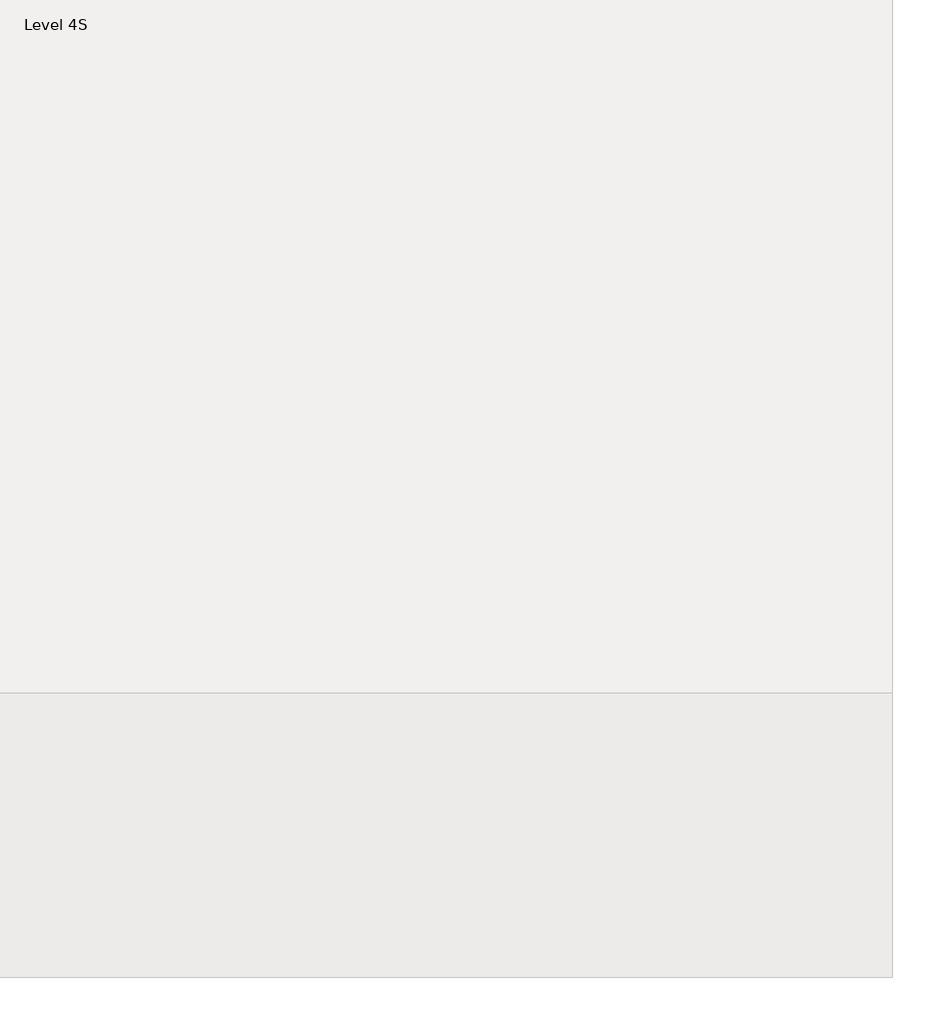
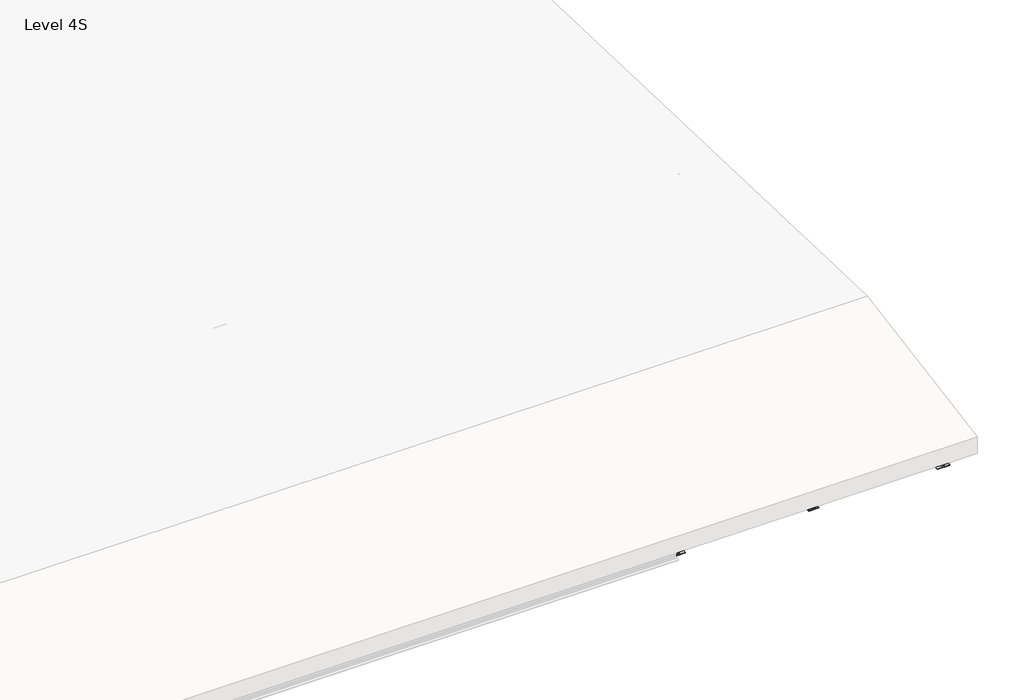
# One storey, part 14 of 15: 6 beams.
"""IFC4 building model written with IfcOpenShell, lengths in millimetres."""

from ifc_helpers import new_model, si_unit, frame, origin, place, context, project, spatial, polyline, circle_curve, ellipse_curve, element, save
from ifc_brep_helpers import plane_surface, revolved_surface, advanced_brep

model = new_model("IFC4")

# Units and contexts
model_context = context("Model", 3, world=origin())
ifc_project = project(units=[si_unit("LENGTHUNIT", "METRE", prefix="MILLI")], contexts=[model_context])

# Site, building, storey
site = spatial("IfcSite", under=ifc_project)
building = spatial("IfcBuilding", under=site)
storey = spatial("IfcBuildingStorey", under=building, Name="Level 4S", Elevation=15900.0)

# Beams
placement = place(None, origin())
element("IfcBeam", 1, ObjectType="IPE-Section : IPE 240", at=placement, inside=storey, context=model_context, shape_type="AdvancedBrep", body=[
    advanced_brep(
    [(19043.6750814, -23184.2178605, 14451.6834347), (19001.7750814, -23184.2178605, 14451.6834347), (18986.7750814, -23186.8089452, 14466.4579493), (18986.7750814, -23219.6984465, 14653.9957873), (19001.7750814, -23222.2895312, 14668.7703019), (19043.6750814, -23222.2895312, 14668.7703019), (19043.6750814, -23223.9823731, 14678.4229847), (18923.6750814, -23223.9823731, 14678.4229847), (18923.6750814, -23222.2895312, 14668.7703019), (18965.5750814, -23222.2895312, 14668.7703019), (18980.5750814, -23219.6984465, 14653.9957873), (18980.5750814, -23186.8089452, 14466.4579493), (18965.5750814, -23184.2178605, 14451.6834347), (18923.6750814, -23184.2178605, 14451.6834347), (18923.6750814, -23182.5250185, 14442.0307519), (19043.6750814, -23182.5250185, 14442.0307519), (19001.7750814, -21092.1754011, 14818.5759721), (19043.6750814, -21092.1754011, 14818.5759721), (18986.7750814, -21093.2402347, 14833.6181534), (18986.7750814, -21106.7565219, 15024.5535743), (19001.7750814, -21107.8213555, 15039.5957556), (19043.6750814, -21107.8213555, 15039.5957556), (19043.6750814, -21108.5170467, 15049.423314), (18923.6750814, -21108.5170467, 15049.423314), (18923.6750814, -21107.8213555, 15039.5957556), (18965.5750814, -21107.8213555, 15039.5957556), (18980.5750814, -21106.7565219, 15024.5535743), (18980.5750814, -21093.2402347, 14833.6181534), (18965.5750814, -21092.1754011, 14818.5759721), (18923.6750814, -21092.1754011, 14818.5759721), (18923.6750814, -21091.4797099, 14808.7484137), (19043.6750814, -21091.4797099, 14808.7484137)],
    [
        (0, 1),
        (1, 2, circle_curve(frame((19001.7750814, -23186.8089452, 14466.4579493), z_axis=(0.0, 0.9849676368369048, 0.17273897760471782), x_axis=(-1.0, 0.0, 0.0)), 15.0)),
        (2, 3),
        (3, 4, circle_curve(frame((19001.7750814, -23219.6984465, 14653.9957873), z_axis=(0.0, 0.9849676368369048, 0.17273897760471782), x_axis=(-1.0, 0.0, 0.0)), 15.0)),
        (4, 5),
        (5, 6),
        (6, 7),
        (7, 8),
        (8, 9),
        (9, 10, circle_curve(frame((18965.5750814, -23219.6984465, 14653.9957873), z_axis=(0.0, 0.9849676368369048, 0.17273897760471782), x_axis=(-1.0, 0.0, 0.0)), 15.0)),
        (10, 11),
        (11, 12, circle_curve(frame((18965.5750814, -23186.8089452, 14466.4579493), z_axis=(0.0, 0.9849676368369048, 0.17273897760471782), x_axis=(-1.0, 0.0, 0.0)), 15.0)),
        (12, 13),
        (13, 14),
        (14, 15),
        (15, 0),
        (16, 1),
        (0, 17),
        (17, 16),
        (18, 2),
        (16, 18, ellipse_curve(frame((19001.7750814, -21093.2402347, 14833.6181534), z_axis=(0.0, 0.9975037774235432, 0.07061312927326088), x_axis=(0.0, 0.07061312927326037, -0.9975037774235433)), 15.0798239, 15.0)),
        (19, 3),
        (18, 19),
        (20, 4),
        (19, 20, ellipse_curve(frame((19001.7750814, -21106.7565219, 15024.5535743), z_axis=(0.0, 0.9975037774235432, 0.07061312927326088), x_axis=(0.0, 0.07061312927326037, -0.9975037774235433)), 15.0798239, 15.0)),
        (21, 5),
        (20, 21),
        (22, 6),
        (21, 22),
        (23, 7),
        (22, 23),
        (24, 8),
        (23, 24),
        (25, 9),
        (24, 25),
        (26, 10),
        (25, 26, ellipse_curve(frame((18965.5750814, -21106.7565219, 15024.5535743), z_axis=(0.0, 0.9975037774235432, 0.07061312927326088), x_axis=(0.0, 0.07061312927326037, -0.9975037774235433)), 15.0798239, 15.0)),
        (27, 11),
        (26, 27),
        (28, 12),
        (27, 28, ellipse_curve(frame((18965.5750814, -21093.2402347, 14833.6181534), z_axis=(0.0, 0.9975037774235432, 0.07061312927326088), x_axis=(0.0, 0.07061312927326037, -0.9975037774235433)), 15.0798239, 15.0)),
        (29, 13),
        (28, 29),
        (30, 14),
        (29, 30),
        (31, 15),
        (30, 31),
        (31, 17),
    ],
    [
        plane_surface(frame((18983.6750814, -23203.2536958, 14560.2268683), z_axis=(0.0, -0.9849676368369048, -0.17273897760471782), x_axis=(0.0, -0.17273897760471782, 0.9849676368369048))),
        plane_surface(frame((19043.6750814, -21068.7525341, 14822.683764), z_axis=(0.0, -0.17273897760471782, 0.9849676368369048), x_axis=(0.0, -0.9849676368369048, -0.17273897760471782))),
        revolved_surface(polyline([(18986.7750814, -23186.808945192828, 14466.457949259118), (18986.7750814, -21091.71398358211, 14833.885820103322)]), (19001.7750814, -21071.3436187, 14837.4582786), (0.0, -0.9849676368369048, -0.17273897760471782)),
        plane_surface(frame((18986.7750814, -21071.3436187, 14837.4582786), z_axis=(1.0, 0.0, 0.0), x_axis=(0.0, -0.9849676368369048, -0.17273897760471782))),
        revolved_surface(polyline([(18986.7750814, -23219.698446539613, 14653.99578736845), (18986.7750814, -21105.230270801516, 15024.821241113985)]), (19001.7750814, -21104.2331201, 15024.9961167), (0.0, -0.9849676368369048, -0.17273897760471782)),
        plane_surface(frame((19001.7750814, -21106.8242047, 15039.7706312), z_axis=(0.0, 0.17273897760471782, -0.9849676368369048), x_axis=(0.0, -0.9849676368369048, -0.17273897760471782))),
        plane_surface(frame((19043.6750814, -21106.8242047, 15039.7706312), z_axis=(1.0, 0.0, 0.0), x_axis=(0.0, -0.9849676368369048, -0.17273897760471782))),
        plane_surface(frame((19043.6750814, -21108.5170467, 15049.423314), z_axis=(0.0, -0.17273897760471782, 0.9849676368369048), x_axis=(0.0, -0.9849676368369048, -0.17273897760471782))),
        plane_surface(frame((18923.6750814, -21108.5170467, 15049.423314), z_axis=(-1.0, 0.0, 0.0), x_axis=(0.0, -0.9849676368369048, -0.17273897760471782))),
        plane_surface(frame((18923.6750814, -21106.8242047, 15039.7706312), z_axis=(0.0, 0.17273897760471782, -0.9849676368369048), x_axis=(0.0, -0.9849676368369048, -0.17273897760471782))),
        revolved_surface(polyline([(18950.5750814, -23219.698446539613, 14653.99578736845), (18950.5750814, -21105.230270801516, 15024.821241113985)]), (18965.5750814, -21104.2331201, 15024.9961167), (0.0, -0.9849676368369048, -0.17273897760471782)),
        plane_surface(frame((18980.5750814, -21104.2331201, 15024.9961167), z_axis=(-1.0, 0.0, 0.0), x_axis=(0.0, -0.9849676368369048, -0.17273897760471782))),
        revolved_surface(polyline([(18950.5750814, -23186.808945192828, 14466.457949259118), (18950.5750814, -21091.71398358211, 14833.885820103322)]), (18965.5750814, -21071.3436187, 14837.4582786), (0.0, -0.9849676368369048, -0.17273897760471782)),
        plane_surface(frame((18965.5750814, -21068.7525341, 14822.683764), z_axis=(0.0, -0.17273897760471782, 0.9849676368369048), x_axis=(0.0, -0.9849676368369048, -0.17273897760471782))),
        plane_surface(frame((18923.6750814, -21068.7525341, 14822.683764), z_axis=(-1.0, 0.0, 0.0), x_axis=(0.0, -0.9849676368369048, -0.17273897760471782))),
        plane_surface(frame((18923.6750814, -21067.0596921, 14813.0310812), z_axis=(0.0, 0.17273897760471782, -0.9849676368369048), x_axis=(0.0, -0.9849676368369048, -0.17273897760471782))),
        plane_surface(frame((19043.6750814, -21067.0596921, 14813.0310812), z_axis=(1.0, 0.0, 0.0), x_axis=(0.0, -0.9849676368369048, -0.17273897760471782))),
        plane_surface(frame((18983.6750814, -21108.5170467, 15049.423314), z_axis=(0.0, 0.9975037774235432, 0.07061312927326088), x_axis=(1.0, 0.0, 0.0))),
    ],
    [
        (0, [[1, 2, 3, 4, 5, 6, 7, 8, 9, 10, 11, 12, 13, 14, 15, 16]]),
        (1, [[17, -1, 18, 19]]),
        (2, [[20, -2, -17, 21]]),
        (3, [[22, -3, -20, 23]]),
        (4, [[24, -4, -22, 25]]),
        (5, [[26, -5, -24, 27]]),
        (6, [[28, -6, -26, 29]]),
        (7, [[30, -7, -28, 31]]),
        (8, [[32, -8, -30, 33]]),
        (9, [[34, -9, -32, 35]]),
        (10, [[36, -10, -34, 37]]),
        (11, [[38, -11, -36, 39]]),
        (12, [[40, -12, -38, 41]]),
        (13, [[42, -13, -40, 43]]),
        (14, [[44, -14, -42, 45]]),
        (15, [[46, -15, -44, 47]]),
        (16, [[-18, -16, -46, 48]]),
        (17, [[-48, -47, -45, -43, -41, -39, -37, -35, -33, -31, -29, -27, -25, -23, -21, -19]]),
    ],
),
])
element("IfcBeam", 2, ObjectType="IPE-Section : IPE 240", at=placement, inside=storey, context=model_context, shape_type="AdvancedBrep", body=[
    advanced_brep(
    [(16138.6750814, -23184.2185102, 14451.6833208), (16096.7750814, -23184.2185102, 14451.6833208), (16081.7750814, -23186.8095949, 14466.4578353), (16081.7750814, -23219.6990962, 14653.9956734), (16096.7750814, -23222.2901809, 14668.7701879), (16138.6750814, -23222.2901809, 14668.7701879), (16138.6750814, -23223.9830229, 14678.4228708), (16018.6750814, -23223.9830229, 14678.4228708), (16018.6750814, -23222.2901809, 14668.7701879), (16060.5750814, -23222.2901809, 14668.7701879), (16075.5750814, -23219.6990962, 14653.9956734), (16075.5750814, -23186.8095949, 14466.4578353), (16060.5750814, -23184.2185102, 14451.6833208), (16018.6750814, -23184.2185102, 14451.6833208), (16018.6750814, -23182.5256682, 14442.0306379), (16138.6750814, -23182.5256682, 14442.0306379), (16096.7750814, -21092.1754011, 14818.5759721), (16138.6750814, -21092.1754011, 14818.5759721), (16081.7750814, -21093.2402347, 14833.6181534), (16081.7750814, -21106.7565219, 15024.5535743), (16096.7750814, -21107.8213555, 15039.5957556), (16138.6750814, -21107.8213555, 15039.5957556), (16138.6750814, -21108.5170467, 15049.423314), (16018.6750814, -21108.5170467, 15049.423314), (16018.6750814, -21107.8213555, 15039.5957556), (16060.5750814, -21107.8213555, 15039.5957556), (16075.5750814, -21106.7565219, 15024.5535743), (16075.5750814, -21093.2402347, 14833.6181534), (16060.5750814, -21092.1754011, 14818.5759721), (16018.6750814, -21092.1754011, 14818.5759721), (16018.6750814, -21091.4797099, 14808.7484137), (16138.6750814, -21091.4797099, 14808.7484137)],
    [
        (0, 1),
        (1, 2, circle_curve(frame((16096.7750814, -23186.8095949, 14466.4578353), z_axis=(0.0, 0.9849676368369048, 0.17273897760471782), x_axis=(-1.0, 0.0, 0.0)), 15.0)),
        (2, 3),
        (3, 4, circle_curve(frame((16096.7750814, -23219.6990962, 14653.9956734), z_axis=(0.0, 0.9849676368369048, 0.17273897760471782), x_axis=(-1.0, 0.0, 0.0)), 15.0)),
        (4, 5),
        (5, 6),
        (6, 7),
        (7, 8),
        (8, 9),
        (9, 10, circle_curve(frame((16060.5750814, -23219.6990962, 14653.9956734), z_axis=(0.0, 0.9849676368369048, 0.17273897760471782), x_axis=(-1.0, 0.0, 0.0)), 15.0)),
        (10, 11),
        (11, 12, circle_curve(frame((16060.5750814, -23186.8095949, 14466.4578353), z_axis=(0.0, 0.9849676368369048, 0.17273897760471782), x_axis=(-1.0, 0.0, 0.0)), 15.0)),
        (12, 13),
        (13, 14),
        (14, 15),
        (15, 0),
        (16, 1),
        (0, 17),
        (17, 16),
        (18, 2),
        (16, 18, ellipse_curve(frame((16096.7750814, -21093.2402347, 14833.6181534), z_axis=(0.0, 0.9975037774235432, 0.07061312927326088), x_axis=(0.0, 0.07061312927326037, -0.9975037774235433)), 15.0798239, 15.0)),
        (19, 3),
        (18, 19),
        (20, 4),
        (19, 20, ellipse_curve(frame((16096.7750814, -21106.7565219, 15024.5535743), z_axis=(0.0, 0.9975037774235432, 0.07061312927326088), x_axis=(0.0, 0.07061312927326037, -0.9975037774235433)), 15.0798239, 15.0)),
        (21, 5),
        (20, 21),
        (22, 6),
        (21, 22),
        (23, 7),
        (22, 23),
        (24, 8),
        (23, 24),
        (25, 9),
        (24, 25),
        (26, 10),
        (25, 26, ellipse_curve(frame((16060.5750814, -21106.7565219, 15024.5535743), z_axis=(0.0, 0.9975037774235432, 0.07061312927326088), x_axis=(0.0, 0.07061312927326037, -0.9975037774235433)), 15.0798239, 15.0)),
        (27, 11),
        (26, 27),
        (28, 12),
        (27, 28, ellipse_curve(frame((16060.5750814, -21093.2402347, 14833.6181534), z_axis=(0.0, 0.9975037774235432, 0.07061312927326088), x_axis=(0.0, 0.07061312927326037, -0.9975037774235433)), 15.0798239, 15.0)),
        (29, 13),
        (28, 29),
        (30, 14),
        (29, 30),
        (31, 15),
        (30, 31),
        (31, 17),
    ],
    [
        plane_surface(frame((16078.6750814, -23203.2543455, 14560.2267544), z_axis=(0.0, -0.9849676368369048, -0.17273897760471782), x_axis=(0.0, -0.17273897760471782, 0.9849676368369048))),
        plane_surface(frame((16138.6750814, -21068.7525341, 14822.683764), z_axis=(0.0, -0.17273897760471782, 0.9849676368369048), x_axis=(0.0, -0.9849676368369048, -0.17273897760471782))),
        revolved_surface(polyline([(16081.7750814, -23186.809594902814, 14466.457835316045), (16081.7750814, -21091.71398358211, 14833.885820103322)]), (16096.7750814, -21071.3436187, 14837.4582786), (0.0, -0.9849676368369048, -0.17273897760471782)),
        plane_surface(frame((16081.7750814, -21071.3436187, 14837.4582786), z_axis=(1.0, 0.0, 0.0), x_axis=(0.0, -0.9849676368369048, -0.17273897760471782))),
        revolved_surface(polyline([(16081.7750814, -23219.6990962496, 14653.99567342538), (16081.7750814, -21105.230270801516, 15024.821241113985)]), (16096.7750814, -21104.2331201, 15024.9961167), (0.0, -0.9849676368369048, -0.17273897760471782)),
        plane_surface(frame((16096.7750814, -21106.8242047, 15039.7706312), z_axis=(0.0, 0.17273897760471782, -0.9849676368369048), x_axis=(0.0, -0.9849676368369048, -0.17273897760471782))),
        plane_surface(frame((16138.6750814, -21106.8242047, 15039.7706312), z_axis=(1.0, 0.0, 0.0), x_axis=(0.0, -0.9849676368369048, -0.17273897760471782))),
        plane_surface(frame((16138.6750814, -21108.5170467, 15049.423314), z_axis=(0.0, -0.17273897760471782, 0.9849676368369048), x_axis=(0.0, -0.9849676368369048, -0.17273897760471782))),
        plane_surface(frame((16018.6750814, -21108.5170467, 15049.423314), z_axis=(-1.0, 0.0, 0.0), x_axis=(0.0, -0.9849676368369048, -0.17273897760471782))),
        plane_surface(frame((16018.6750814, -21106.8242047, 15039.7706312), z_axis=(0.0, 0.17273897760471782, -0.9849676368369048), x_axis=(0.0, -0.9849676368369048, -0.17273897760471782))),
        revolved_surface(polyline([(16045.5750814, -23219.6990962496, 14653.99567342538), (16045.5750814, -21105.230270801516, 15024.821241113985)]), (16060.5750814, -21104.2331201, 15024.9961167), (0.0, -0.9849676368369048, -0.17273897760471782)),
        plane_surface(frame((16075.5750814, -21104.2331201, 15024.9961167), z_axis=(-1.0, 0.0, 0.0), x_axis=(0.0, -0.9849676368369048, -0.17273897760471782))),
        revolved_surface(polyline([(16045.5750814, -23186.809594902814, 14466.457835316045), (16045.5750814, -21091.71398358211, 14833.885820103322)]), (16060.5750814, -21071.3436187, 14837.4582786), (0.0, -0.9849676368369048, -0.17273897760471782)),
        plane_surface(frame((16060.5750814, -21068.7525341, 14822.683764), z_axis=(0.0, -0.17273897760471782, 0.9849676368369048), x_axis=(0.0, -0.9849676368369048, -0.17273897760471782))),
        plane_surface(frame((16018.6750814, -21068.7525341, 14822.683764), z_axis=(-1.0, 0.0, 0.0), x_axis=(0.0, -0.9849676368369048, -0.17273897760471782))),
        plane_surface(frame((16018.6750814, -21067.0596921, 14813.0310812), z_axis=(0.0, 0.17273897760471782, -0.9849676368369048), x_axis=(0.0, -0.9849676368369048, -0.17273897760471782))),
        plane_surface(frame((16138.6750814, -21067.0596921, 14813.0310812), z_axis=(1.0, 0.0, 0.0), x_axis=(0.0, -0.9849676368369048, -0.17273897760471782))),
        plane_surface(frame((16078.6750814, -21108.5170467, 15049.423314), z_axis=(0.0, 0.9975037774235432, 0.07061312927326088), x_axis=(1.0, 0.0, 0.0))),
    ],
    [
        (0, [[1, 2, 3, 4, 5, 6, 7, 8, 9, 10, 11, 12, 13, 14, 15, 16]]),
        (1, [[17, -1, 18, 19]]),
        (2, [[20, -2, -17, 21]]),
        (3, [[22, -3, -20, 23]]),
        (4, [[24, -4, -22, 25]]),
        (5, [[26, -5, -24, 27]]),
        (6, [[28, -6, -26, 29]]),
        (7, [[30, -7, -28, 31]]),
        (8, [[32, -8, -30, 33]]),
        (9, [[34, -9, -32, 35]]),
        (10, [[36, -10, -34, 37]]),
        (11, [[38, -11, -36, 39]]),
        (12, [[40, -12, -38, 41]]),
        (13, [[42, -13, -40, 43]]),
        (14, [[44, -14, -42, 45]]),
        (15, [[46, -15, -44, 47]]),
        (16, [[-18, -16, -46, 48]]),
        (17, [[-48, -47, -45, -43, -41, -39, -37, -35, -33, -31, -29, -27, -25, -23, -21, -19]]),
    ],
),
])
element("IfcBeam", 3, ObjectType="IPE-Section : IPE 240", at=placement, inside=storey, context=model_context, shape_type="AdvancedBrep", body=[
    advanced_brep(
    [(16138.6750814, -17939.7743579, 14716.8256418), (16138.6750814, -17940.0905087, 14707.0307427), (16018.6750814, -17940.0905087, 14707.0307427), (16018.6750814, -17939.7743579, 14716.8256418), (16060.5750814, -17939.7743579, 14716.8256418), (16075.5750814, -17939.2904535, 14731.8178343), (16075.5750814, -17933.1480945, 14922.1187314), (16060.5750814, -17932.6641901, 14937.1109239), (16018.6750814, -17932.6641901, 14937.1109239), (16018.6750814, -17932.3480393, 14946.905823), (16138.6750814, -17932.3480393, 14946.905823), (16138.6750814, -17932.6641901, 14937.1109239), (16096.7750814, -17932.6641901, 14937.1109239), (16081.7750814, -17933.1480945, 14922.1187314), (16081.7750814, -17939.2904535, 14731.8178343), (16096.7750814, -17939.7743579, 14716.8256418), (16096.7750814, -21092.1754011, 14818.5759721), (16138.6750814, -21092.1754011, 14818.5759721), (16081.7750814, -21093.2402347, 14833.6181534), (16081.7750814, -21106.7565219, 15024.5535743), (16096.7750814, -21107.8213555, 15039.5957556), (16138.6750814, -21107.8213555, 15039.5957556), (16138.6750814, -21108.5170467, 15049.423314), (16018.6750814, -21108.5170467, 15049.423314), (16018.6750814, -21107.8213555, 15039.5957556), (16060.5750814, -21107.8213555, 15039.5957556), (16075.5750814, -21106.7565219, 15024.5535743), (16075.5750814, -21093.2402347, 14833.6181534), (16060.5750814, -21092.1754011, 14818.5759721), (16018.6750814, -21092.1754011, 14818.5759721), (16018.6750814, -21091.4797099, 14808.7484137), (16138.6750814, -21091.4797099, 14808.7484137)],
    [
        (0, 1),
        (1, 2),
        (2, 3),
        (3, 4),
        (4, 5, circle_curve(frame((16060.5750814, -17939.2904535, 14731.8178343), z_axis=(0.0, -0.9994795014102584, 0.032260289222220004), x_axis=(-1.0, 0.0, 0.0)), 15.0)),
        (5, 6),
        (6, 7, circle_curve(frame((16060.5750814, -17933.1480945, 14922.1187314), z_axis=(0.0, -0.9994795014102584, 0.032260289222220004), x_axis=(-1.0, 0.0, 0.0)), 15.0)),
        (7, 8),
        (8, 9),
        (9, 10),
        (10, 11),
        (11, 12),
        (12, 13, circle_curve(frame((16096.7750814, -17933.1480945, 14922.1187314), z_axis=(0.0, -0.9994795014102584, 0.032260289222220004), x_axis=(-1.0, 0.0, 0.0)), 15.0)),
        (13, 14),
        (14, 15, circle_curve(frame((16096.7750814, -17939.2904535, 14731.8178343), z_axis=(0.0, -0.9994795014102584, 0.032260289222220004), x_axis=(-1.0, 0.0, 0.0)), 15.0)),
        (15, 0),
        (15, 16),
        (16, 17),
        (17, 0),
        (14, 18),
        (18, 16, ellipse_curve(frame((16096.7750814, -21093.2402347, 14833.6181534), z_axis=(0.0, -0.997503777423542, -0.07061312927327876), x_axis=(0.0, -0.07061312927327813, 0.997503777423542)), 15.0798239, 15.0)),
        (13, 19),
        (19, 18),
        (12, 20),
        (20, 19, ellipse_curve(frame((16096.7750814, -21106.7565219, 15024.5535743), z_axis=(0.0, -0.997503777423542, -0.07061312927327876), x_axis=(0.0, -0.07061312927327813, 0.997503777423542)), 15.0798239, 15.0)),
        (11, 21),
        (21, 20),
        (10, 22),
        (22, 21),
        (9, 23),
        (23, 22),
        (8, 24),
        (24, 23),
        (7, 25),
        (25, 24),
        (6, 26),
        (26, 25, ellipse_curve(frame((16060.5750814, -21106.7565219, 15024.5535743), z_axis=(0.0, -0.997503777423542, -0.07061312927327876), x_axis=(0.0, -0.07061312927327813, 0.997503777423542)), 15.0798239, 15.0)),
        (5, 27),
        (27, 26),
        (4, 28),
        (28, 27, ellipse_curve(frame((16060.5750814, -21093.2402347, 14833.6181534), z_axis=(0.0, -0.997503777423542, -0.07061312927327876), x_axis=(0.0, -0.07061312927327813, 0.997503777423542)), 15.0798239, 15.0)),
        (3, 29),
        (29, 28),
        (2, 30),
        (30, 29),
        (1, 31),
        (31, 30),
        (17, 31),
    ],
    [
        plane_surface(frame((16078.6750814, -17936.219274, 14826.9682829), z_axis=(0.0, 0.9994795014102584, -0.032260289222220004), x_axis=(0.0, 0.032260289222220004, 0.9994795014102584))),
        plane_surface(frame((16138.6750814, -17939.7743579, 14716.8256418), z_axis=(0.0, 0.032260289222220004, 0.9994795014102584), x_axis=(0.0, -0.9994795014102584, 0.032260289222220004))),
        revolved_surface(polyline([(16081.7750814, -21094.788972595194, 14833.668142107876), (16081.7750814, -17939.2904535, 14731.8178343)]), (16096.7750814, -17939.2904535, 14731.8178343), (0.0, -0.9994795014102584, 0.032260289222220004)),
        plane_surface(frame((16081.7750814, -17939.2904535, 14731.8178343), z_axis=(1.0, 0.0, 0.0), x_axis=(0.0, -0.9994795014102584, 0.032260289222220004))),
        revolved_surface(polyline([(16081.7750814, -21108.30525983797, 15024.603563090172), (16081.7750814, -17933.148094437714, 14922.11873139799)]), (16096.7750814, -17933.1480945, 14922.1187314), (0.0, -0.9994795014102584, 0.032260289222220004)),
        plane_surface(frame((16096.7750814, -17932.6641901, 14937.1109239), z_axis=(0.0, -0.032260289222220004, -0.9994795014102584), x_axis=(0.0, -0.9994795014102584, 0.032260289222220004))),
        plane_surface(frame((16138.6750814, -17932.6641901, 14937.1109239), z_axis=(1.0, 0.0, 0.0), x_axis=(0.0, -0.9994795014102584, 0.032260289222220004))),
        plane_surface(frame((16138.6750814, -17932.3480393, 14946.905823), z_axis=(0.0, 0.032260289222220004, 0.9994795014102584), x_axis=(0.0, -0.9994795014102584, 0.032260289222220004))),
        plane_surface(frame((16018.6750814, -17932.3480393, 14946.905823), z_axis=(-1.0, 0.0, 0.0), x_axis=(0.0, -0.9994795014102584, 0.032260289222220004))),
        plane_surface(frame((16018.6750814, -17932.6641901, 14937.1109239), z_axis=(0.0, -0.032260289222220004, -0.9994795014102584), x_axis=(0.0, -0.9994795014102584, 0.032260289222220004))),
        revolved_surface(polyline([(16045.5750814, -21108.30525983797, 15024.603563090172), (16045.5750814, -17933.148094437714, 14922.11873139799)]), (16060.5750814, -17933.1480945, 14922.1187314), (0.0, -0.9994795014102584, 0.032260289222220004)),
        plane_surface(frame((16075.5750814, -17933.1480945, 14922.1187314), z_axis=(-1.0, 0.0, 0.0), x_axis=(0.0, -0.9994795014102584, 0.032260289222220004))),
        revolved_surface(polyline([(16045.5750814, -21094.788972595194, 14833.668142107876), (16045.5750814, -17939.2904535, 14731.8178343)]), (16060.5750814, -17939.2904535, 14731.8178343), (0.0, -0.9994795014102584, 0.032260289222220004)),
        plane_surface(frame((16060.5750814, -17939.7743579, 14716.8256418), z_axis=(0.0, 0.032260289222220004, 0.9994795014102584), x_axis=(0.0, -0.9994795014102584, 0.032260289222220004))),
        plane_surface(frame((16018.6750814, -17939.7743579, 14716.8256418), z_axis=(-1.0, 0.0, 0.0), x_axis=(0.0, -0.9994795014102584, 0.032260289222220004))),
        plane_surface(frame((16018.6750814, -17940.0905087, 14707.0307427), z_axis=(0.0, -0.032260289222220004, -0.9994795014102584), x_axis=(0.0, -0.9994795014102584, 0.032260289222220004))),
        plane_surface(frame((16138.6750814, -17940.0905087, 14707.0307427), z_axis=(1.0, 0.0, 0.0), x_axis=(0.0, -0.9994795014102584, 0.032260289222220004))),
        plane_surface(frame((16078.6750814, -21108.5170467, 15049.423314), z_axis=(0.0, -0.997503777423542, -0.07061312927327876), x_axis=(1.0, 0.0, 0.0))),
    ],
    [
        (0, [[1, 2, 3, 4, 5, 6, 7, 8, 9, 10, 11, 12, 13, 14, 15, 16]]),
        (1, [[17, 18, 19, -16]]),
        (2, [[20, 21, -17, -15]]),
        (3, [[22, 23, -20, -14]]),
        (4, [[24, 25, -22, -13]]),
        (5, [[26, 27, -24, -12]]),
        (6, [[28, 29, -26, -11]]),
        (7, [[30, 31, -28, -10]]),
        (8, [[32, 33, -30, -9]]),
        (9, [[34, 35, -32, -8]]),
        (10, [[36, 37, -34, -7]]),
        (11, [[38, 39, -36, -6]]),
        (12, [[40, 41, -38, -5]]),
        (13, [[42, 43, -40, -4]]),
        (14, [[44, 45, -42, -3]]),
        (15, [[46, 47, -44, -2]]),
        (16, [[-19, 48, -46, -1]]),
        (17, [[-18, -21, -23, -25, -27, -29, -31, -33, -35, -37, -39, -41, -43, -45, -47, -48]]),
    ],
),
])
element("IfcBeam", 4, ObjectType="IPE-Section : IPE 300", at=placement, inside=storey, context=model_context, shape_type="AdvancedBrep", body=[
    advanced_brep(
    [(20637.4250814, -23134.1189736, 14400.4675697), (20580.9750814, -23134.1189736, 14400.4675697), (20565.9750814, -23136.7100583, 14415.2420843), (20565.9750814, -23179.6529681, 14660.1050388), (20580.9750814, -23182.2440528, 14674.8795534), (20637.4250814, -23182.2440528, 14674.8795534), (20637.4250814, -23184.0923598, 14685.4187071), (20487.4250814, -23184.0923598, 14685.4187071), (20487.4250814, -23182.2440528, 14674.8795534), (20543.8750814, -23182.2440528, 14674.8795534), (20558.8750814, -23179.6529681, 14660.1050388), (20558.8750814, -23136.7100583, 14415.2420843), (20543.8750814, -23134.1189736, 14400.4675697), (20487.4250814, -23134.1189736, 14400.4675697), (20487.4250814, -23132.2706666, 14389.928416), (20637.4250814, -23132.2706666, 14389.928416), (20580.9750814, -21087.9799569, 14759.3097779), (20637.4250814, -21087.9799569, 14759.3097779), (20565.9750814, -21089.0447905, 14774.3519592), (20565.9750814, -21106.6926319, 15023.6510435), (20580.9750814, -21107.7574654, 15038.6932247), (20637.4250814, -21107.7574654, 15038.6932247), (20637.4250814, -21108.5170467, 15049.423314), (20487.4250814, -21108.5170467, 15049.423314), (20487.4250814, -21107.7574654, 15038.6932247), (20543.8750814, -21107.7574654, 15038.6932247), (20558.8750814, -21106.6926319, 15023.6510435), (20558.8750814, -21089.0447905, 14774.3519592), (20543.8750814, -21087.9799569, 14759.3097779), (20487.4250814, -21087.9799569, 14759.3097779), (20487.4250814, -21087.2203757, 14748.5796886), (20637.4250814, -21087.2203757, 14748.5796886)],
    [
        (0, 1),
        (1, 2, circle_curve(frame((20580.9750814, -23136.7100583, 14415.2420843), z_axis=(0.0, 0.9849676368369048, 0.17273897760471782), x_axis=(-1.0, 0.0, 0.0)), 15.0)),
        (2, 3),
        (3, 4, circle_curve(frame((20580.9750814, -23179.6529681, 14660.1050388), z_axis=(0.0, 0.9849676368369048, 0.17273897760471782), x_axis=(-1.0, 0.0, 0.0)), 15.0)),
        (4, 5),
        (5, 6),
        (6, 7),
        (7, 8),
        (8, 9),
        (9, 10, circle_curve(frame((20543.8750814, -23179.6529681, 14660.1050388), z_axis=(0.0, 0.9849676368369048, 0.17273897760471782), x_axis=(-1.0, 0.0, 0.0)), 15.0)),
        (10, 11),
        (11, 12, circle_curve(frame((20543.8750814, -23136.7100583, 14415.2420843), z_axis=(0.0, 0.9849676368369048, 0.17273897760471782), x_axis=(-1.0, 0.0, 0.0)), 15.0)),
        (12, 13),
        (13, 14),
        (14, 15),
        (15, 0),
        (16, 1),
        (0, 17),
        (17, 16),
        (18, 2),
        (16, 18, ellipse_curve(frame((20580.9750814, -21089.0447905, 14774.3519592), z_axis=(0.0, 0.9975037774235432, 0.07061312927326102), x_axis=(0.0, 0.07061312927326045, -0.9975037774235433)), 15.0798239, 15.0)),
        (19, 3),
        (18, 19),
        (20, 4),
        (19, 20, ellipse_curve(frame((20580.9750814, -21106.6926319, 15023.6510435), z_axis=(0.0, 0.9975037774235432, 0.07061312927326102), x_axis=(0.0, 0.07061312927326045, -0.9975037774235433)), 15.0798239, 15.0)),
        (21, 5),
        (20, 21),
        (22, 6),
        (21, 22),
        (23, 7),
        (22, 23),
        (24, 8),
        (23, 24),
        (25, 9),
        (24, 25),
        (26, 10),
        (25, 26, ellipse_curve(frame((20543.8750814, -21106.6926319, 15023.6510435), z_axis=(0.0, 0.9975037774235432, 0.07061312927326102), x_axis=(0.0, 0.07061312927326045, -0.9975037774235433)), 15.0798239, 15.0)),
        (27, 11),
        (26, 27),
        (28, 12),
        (27, 28, ellipse_curve(frame((20543.8750814, -21089.0447905, 14774.3519592), z_axis=(0.0, 0.9975037774235432, 0.07061312927326102), x_axis=(0.0, 0.07061312927326045, -0.9975037774235433)), 15.0798239, 15.0)),
        (29, 13),
        (28, 29),
        (30, 14),
        (29, 30),
        (31, 15),
        (30, 31),
        (31, 17),
    ],
    [
        plane_surface(frame((20562.4250814, -23158.1815132, 14537.6735615), z_axis=(0.0, -0.9849676368369048, -0.17273897760471782), x_axis=(0.0, -0.17273897760471782, 0.9849676368369048))),
        plane_surface(frame((20637.4250814, -21058.5436605, 14764.4721767), z_axis=(0.0, -0.17273897760471782, 0.9849676368369048), x_axis=(0.0, -0.9849676368369048, -0.17273897760471782))),
        revolved_surface(polyline([(20565.9750814, -23136.710058304845, 14415.24208432763), (20565.9750814, -21087.518539388486, 14774.619625939673)]), (20580.9750814, -21061.1347452, 14779.2466913), (0.0, -0.9849676368369048, -0.17273897760471782)),
        plane_surface(frame((20565.9750814, -21061.1347452, 14779.2466913), z_axis=(1.0, 0.0, 0.0), x_axis=(0.0, -0.9849676368369048, -0.17273897760471782))),
        revolved_surface(polyline([(20565.9750814, -23179.65296813163, 14660.10503882293), (20565.9750814, -21105.16638074767, 15023.918710214391)]), (20580.9750814, -21104.077655, 15024.1096458), (0.0, -0.9849676368369048, -0.17273897760471782)),
        plane_surface(frame((20580.9750814, -21106.6687397, 15038.8841603), z_axis=(0.0, 0.17273897760471782, -0.9849676368369048), x_axis=(0.0, -0.9849676368369048, -0.17273897760471782))),
        plane_surface(frame((20637.4250814, -21106.6687397, 15038.8841603), z_axis=(1.0, 0.0, 0.0), x_axis=(0.0, -0.9849676368369048, -0.17273897760471782))),
        plane_surface(frame((20637.4250814, -21108.5170467, 15049.423314), z_axis=(0.0, -0.17273897760471782, 0.9849676368369048), x_axis=(0.0, -0.9849676368369048, -0.17273897760471782))),
        plane_surface(frame((20487.4250814, -21108.5170467, 15049.423314), z_axis=(-1.0, 0.0, 0.0), x_axis=(0.0, -0.9849676368369048, -0.17273897760471782))),
        plane_surface(frame((20487.4250814, -21106.6687397, 15038.8841603), z_axis=(0.0, 0.17273897760471782, -0.9849676368369048), x_axis=(0.0, -0.9849676368369048, -0.17273897760471782))),
        revolved_surface(polyline([(20528.8750814, -23179.65296813163, 14660.10503882293), (20528.8750814, -21105.16638074767, 15023.918710214391)]), (20543.8750814, -21104.077655, 15024.1096458), (0.0, -0.9849676368369048, -0.17273897760471782)),
        plane_surface(frame((20558.8750814, -21104.077655, 15024.1096458), z_axis=(-1.0, 0.0, 0.0), x_axis=(0.0, -0.9849676368369048, -0.17273897760471782))),
        revolved_surface(polyline([(20528.8750814, -23136.710058304845, 14415.24208432763), (20528.8750814, -21087.518539388486, 14774.619625939673)]), (20543.8750814, -21061.1347452, 14779.2466913), (0.0, -0.9849676368369048, -0.17273897760471782)),
        plane_surface(frame((20543.8750814, -21058.5436605, 14764.4721767), z_axis=(0.0, -0.17273897760471782, 0.9849676368369048), x_axis=(0.0, -0.9849676368369048, -0.17273897760471782))),
        plane_surface(frame((20487.4250814, -21058.5436605, 14764.4721767), z_axis=(-1.0, 0.0, 0.0), x_axis=(0.0, -0.9849676368369048, -0.17273897760471782))),
        plane_surface(frame((20487.4250814, -21056.6953534, 14753.933023), z_axis=(0.0, 0.17273897760471782, -0.9849676368369048), x_axis=(0.0, -0.9849676368369048, -0.17273897760471782))),
        plane_surface(frame((20637.4250814, -21056.6953534, 14753.933023), z_axis=(1.0, 0.0, 0.0), x_axis=(0.0, -0.9849676368369048, -0.17273897760471782))),
        plane_surface(frame((20562.4250814, -21108.5170467, 15049.423314), z_axis=(0.0, 0.9975037774235432, 0.07061312927326102), x_axis=(1.0, 0.0, 0.0))),
    ],
    [
        (0, [[1, 2, 3, 4, 5, 6, 7, 8, 9, 10, 11, 12, 13, 14, 15, 16]]),
        (1, [[17, -1, 18, 19]]),
        (2, [[20, -2, -17, 21]]),
        (3, [[22, -3, -20, 23]]),
        (4, [[24, -4, -22, 25]]),
        (5, [[26, -5, -24, 27]]),
        (6, [[28, -6, -26, 29]]),
        (7, [[30, -7, -28, 31]]),
        (8, [[32, -8, -30, 33]]),
        (9, [[34, -9, -32, 35]]),
        (10, [[36, -10, -34, 37]]),
        (11, [[38, -11, -36, 39]]),
        (12, [[40, -12, -38, 41]]),
        (13, [[42, -13, -40, 43]]),
        (14, [[44, -14, -42, 45]]),
        (15, [[46, -15, -44, 47]]),
        (16, [[-18, -16, -46, 48]]),
        (17, [[-48, -47, -45, -43, -41, -39, -37, -35, -33, -31, -29, -27, -25, -23, -21, -19]]),
    ],
),
])
element("IfcBeam", 5, ObjectType="IPE-Section : IPE 300", at=placement, inside=storey, context=model_context, shape_type="AdvancedBrep", body=[
    advanced_brep(
    [(17479.9250814, -23134.1189736, 14400.4675697), (17423.4750814, -23134.1189736, 14400.4675697), (17408.4750814, -23136.7100583, 14415.2420843), (17408.4750814, -23179.6529681, 14660.1050388), (17423.4750814, -23182.2440528, 14674.8795534), (17479.9250814, -23182.2440528, 14674.8795534), (17479.9250814, -23184.0923598, 14685.4187071), (17329.9250814, -23184.0923598, 14685.4187071), (17329.9250814, -23182.2440528, 14674.8795534), (17386.3750814, -23182.2440528, 14674.8795534), (17401.3750814, -23179.6529681, 14660.1050388), (17401.3750814, -23136.7100583, 14415.2420843), (17386.3750814, -23134.1189736, 14400.4675697), (17329.9250814, -23134.1189736, 14400.4675697), (17329.9250814, -23132.2706666, 14389.928416), (17479.9250814, -23132.2706666, 14389.928416), (17423.4750814, -21087.9799569, 14759.3097779), (17479.9250814, -21087.9799569, 14759.3097779), (17408.4750814, -21089.0447905, 14774.3519592), (17408.4750814, -21106.6926319, 15023.6510435), (17423.4750814, -21107.7574654, 15038.6932247), (17479.9250814, -21107.7574654, 15038.6932247), (17479.9250814, -21108.5170467, 15049.423314), (17329.9250814, -21108.5170467, 15049.423314), (17329.9250814, -21107.7574654, 15038.6932247), (17386.3750814, -21107.7574654, 15038.6932247), (17401.3750814, -21106.6926319, 15023.6510435), (17401.3750814, -21089.0447905, 14774.3519592), (17386.3750814, -21087.9799569, 14759.3097779), (17329.9250814, -21087.9799569, 14759.3097779), (17329.9250814, -21087.2203757, 14748.5796886), (17479.9250814, -21087.2203757, 14748.5796886)],
    [
        (0, 1),
        (1, 2, circle_curve(frame((17423.4750814, -23136.7100583, 14415.2420843), z_axis=(0.0, 0.9849676368369048, 0.17273897760471782), x_axis=(-1.0, 0.0, 0.0)), 15.0)),
        (2, 3),
        (3, 4, circle_curve(frame((17423.4750814, -23179.6529681, 14660.1050388), z_axis=(0.0, 0.9849676368369048, 0.17273897760471782), x_axis=(-1.0, 0.0, 0.0)), 15.0)),
        (4, 5),
        (5, 6),
        (6, 7),
        (7, 8),
        (8, 9),
        (9, 10, circle_curve(frame((17386.3750814, -23179.6529681, 14660.1050388), z_axis=(0.0, 0.9849676368369048, 0.17273897760471782), x_axis=(-1.0, 0.0, 0.0)), 15.0)),
        (10, 11),
        (11, 12, circle_curve(frame((17386.3750814, -23136.7100583, 14415.2420843), z_axis=(0.0, 0.9849676368369048, 0.17273897760471782), x_axis=(-1.0, 0.0, 0.0)), 15.0)),
        (12, 13),
        (13, 14),
        (14, 15),
        (15, 0),
        (16, 1),
        (0, 17),
        (17, 16),
        (18, 2),
        (16, 18, ellipse_curve(frame((17423.4750814, -21089.0447905, 14774.3519592), z_axis=(0.0, 0.9975037774235432, 0.07061312927326102), x_axis=(0.0, 0.07061312927326045, -0.9975037774235433)), 15.0798239, 15.0)),
        (19, 3),
        (18, 19),
        (20, 4),
        (19, 20, ellipse_curve(frame((17423.4750814, -21106.6926319, 15023.6510435), z_axis=(0.0, 0.9975037774235432, 0.07061312927326102), x_axis=(0.0, 0.07061312927326045, -0.9975037774235433)), 15.0798239, 15.0)),
        (21, 5),
        (20, 21),
        (22, 6),
        (21, 22),
        (23, 7),
        (22, 23),
        (24, 8),
        (23, 24),
        (25, 9),
        (24, 25),
        (26, 10),
        (25, 26, ellipse_curve(frame((17386.3750814, -21106.6926319, 15023.6510435), z_axis=(0.0, 0.9975037774235432, 0.07061312927326102), x_axis=(0.0, 0.07061312927326045, -0.9975037774235433)), 15.0798239, 15.0)),
        (27, 11),
        (26, 27),
        (28, 12),
        (27, 28, ellipse_curve(frame((17386.3750814, -21089.0447905, 14774.3519592), z_axis=(0.0, 0.9975037774235432, 0.07061312927326102), x_axis=(0.0, 0.07061312927326045, -0.9975037774235433)), 15.0798239, 15.0)),
        (29, 13),
        (28, 29),
        (30, 14),
        (29, 30),
        (31, 15),
        (30, 31),
        (31, 17),
    ],
    [
        plane_surface(frame((17404.9250814, -23158.1815132, 14537.6735615), z_axis=(0.0, -0.9849676368369048, -0.17273897760471782), x_axis=(0.0, -0.17273897760471782, 0.9849676368369048))),
        plane_surface(frame((17479.9250814, -21058.5436605, 14764.4721767), z_axis=(0.0, -0.17273897760471782, 0.9849676368369048), x_axis=(0.0, -0.9849676368369048, -0.17273897760471782))),
        revolved_surface(polyline([(17408.4750814, -23136.710058304845, 14415.24208432763), (17408.4750814, -21087.518539388486, 14774.619625939673)]), (17423.4750814, -21061.1347452, 14779.2466913), (0.0, -0.9849676368369048, -0.17273897760471782)),
        plane_surface(frame((17408.4750814, -21061.1347452, 14779.2466913), z_axis=(1.0, 0.0, 0.0), x_axis=(0.0, -0.9849676368369048, -0.17273897760471782))),
        revolved_surface(polyline([(17408.4750814, -23179.65296813163, 14660.10503882293), (17408.4750814, -21105.16638074767, 15023.918710214391)]), (17423.4750814, -21104.077655, 15024.1096458), (0.0, -0.9849676368369048, -0.17273897760471782)),
        plane_surface(frame((17423.4750814, -21106.6687397, 15038.8841603), z_axis=(0.0, 0.17273897760471782, -0.9849676368369048), x_axis=(0.0, -0.9849676368369048, -0.17273897760471782))),
        plane_surface(frame((17479.9250814, -21106.6687397, 15038.8841603), z_axis=(1.0, 0.0, 0.0), x_axis=(0.0, -0.9849676368369048, -0.17273897760471782))),
        plane_surface(frame((17479.9250814, -21108.5170467, 15049.423314), z_axis=(0.0, -0.17273897760471782, 0.9849676368369048), x_axis=(0.0, -0.9849676368369048, -0.17273897760471782))),
        plane_surface(frame((17329.9250814, -21108.5170467, 15049.423314), z_axis=(-1.0, 0.0, 0.0), x_axis=(0.0, -0.9849676368369048, -0.17273897760471782))),
        plane_surface(frame((17329.9250814, -21106.6687397, 15038.8841603), z_axis=(0.0, 0.17273897760471782, -0.9849676368369048), x_axis=(0.0, -0.9849676368369048, -0.17273897760471782))),
        revolved_surface(polyline([(17371.3750814, -23179.65296813163, 14660.10503882293), (17371.3750814, -21105.16638074767, 15023.918710214391)]), (17386.3750814, -21104.077655, 15024.1096458), (0.0, -0.9849676368369048, -0.17273897760471782)),
        plane_surface(frame((17401.3750814, -21104.077655, 15024.1096458), z_axis=(-1.0, 0.0, 0.0), x_axis=(0.0, -0.9849676368369048, -0.17273897760471782))),
        revolved_surface(polyline([(17371.3750814, -23136.710058304845, 14415.24208432763), (17371.3750814, -21087.518539388486, 14774.619625939673)]), (17386.3750814, -21061.1347452, 14779.2466913), (0.0, -0.9849676368369048, -0.17273897760471782)),
        plane_surface(frame((17386.3750814, -21058.5436605, 14764.4721767), z_axis=(0.0, -0.17273897760471782, 0.9849676368369048), x_axis=(0.0, -0.9849676368369048, -0.17273897760471782))),
        plane_surface(frame((17329.9250814, -21058.5436605, 14764.4721767), z_axis=(-1.0, 0.0, 0.0), x_axis=(0.0, -0.9849676368369048, -0.17273897760471782))),
        plane_surface(frame((17329.9250814, -21056.6953534, 14753.933023), z_axis=(0.0, 0.17273897760471782, -0.9849676368369048), x_axis=(0.0, -0.9849676368369048, -0.17273897760471782))),
        plane_surface(frame((17479.9250814, -21056.6953534, 14753.933023), z_axis=(1.0, 0.0, 0.0), x_axis=(0.0, -0.9849676368369048, -0.17273897760471782))),
        plane_surface(frame((17404.9250814, -21108.5170467, 15049.423314), z_axis=(0.0, 0.9975037774235432, 0.07061312927326102), x_axis=(1.0, 0.0, 0.0))),
    ],
    [
        (0, [[1, 2, 3, 4, 5, 6, 7, 8, 9, 10, 11, 12, 13, 14, 15, 16]]),
        (1, [[17, -1, 18, 19]]),
        (2, [[20, -2, -17, 21]]),
        (3, [[22, -3, -20, 23]]),
        (4, [[24, -4, -22, 25]]),
        (5, [[26, -5, -24, 27]]),
        (6, [[28, -6, -26, 29]]),
        (7, [[30, -7, -28, 31]]),
        (8, [[32, -8, -30, 33]]),
        (9, [[34, -9, -32, 35]]),
        (10, [[36, -10, -34, 37]]),
        (11, [[38, -11, -36, 39]]),
        (12, [[40, -12, -38, 41]]),
        (13, [[42, -13, -40, 43]]),
        (14, [[44, -14, -42, 45]]),
        (15, [[46, -15, -44, 47]]),
        (16, [[-18, -16, -46, 48]]),
        (17, [[-48, -47, -45, -43, -41, -39, -37, -35, -33, -31, -29, -27, -25, -23, -21, -19]]),
    ],
),
])
element("IfcBeam", 6, ObjectType="IPE-Section : IPE 300", at=placement, inside=storey, context=model_context, shape_type="AdvancedBrep", body=[
    advanced_brep(
    [(17479.9250814, -17959.6728789, 14658.3371307), (17479.9250814, -17960.018064, 14647.6427), (17329.9250814, -17960.018064, 14647.6427), (17329.9250814, -17959.6728789, 14658.3371307), (17386.3750814, -17959.6728789, 14658.3371307), (17401.3750814, -17959.1889746, 14673.3293232), (17401.3750814, -17951.1690667, 14921.7999272), (17386.3750814, -17950.6851624, 14936.7921198), (17329.9250814, -17950.6851624, 14936.7921198), (17329.9250814, -17950.3399773, 14947.4865504), (17479.9250814, -17950.3399773, 14947.4865504), (17479.9250814, -17950.6851624, 14936.7921198), (17423.4750814, -17950.6851624, 14936.7921198), (17408.4750814, -17951.1690667, 14921.7999272), (17408.4750814, -17959.1889746, 14673.3293232), (17423.4750814, -17959.6728789, 14658.3371307), (17423.4750814, -21087.9799569, 14759.3097779), (17479.9250814, -21087.9799569, 14759.3097779), (17408.4750814, -21089.0447905, 14774.3519592), (17408.4750814, -21106.6926319, 15023.6510435), (17423.4750814, -21107.7574654, 15038.6932247), (17479.9250814, -21107.7574654, 15038.6932247), (17479.9250814, -21108.5170467, 15049.423314), (17329.9250814, -21108.5170467, 15049.423314), (17329.9250814, -21107.7574654, 15038.6932247), (17386.3750814, -21107.7574654, 15038.6932247), (17401.3750814, -21106.6926319, 15023.6510435), (17401.3750814, -21089.0447905, 14774.3519592), (17386.3750814, -21087.9799569, 14759.3097779), (17329.9250814, -21087.9799569, 14759.3097779), (17329.9250814, -21087.2203757, 14748.5796886), (17479.9250814, -21087.2203757, 14748.5796886)],
    [
        (0, 1),
        (1, 2),
        (2, 3),
        (3, 4),
        (4, 5, circle_curve(frame((17386.3750814, -17959.1889746, 14673.3293232), z_axis=(0.0, -0.9994795014102584, 0.032260289222220004), x_axis=(-1.0, 0.0, 0.0)), 15.0)),
        (5, 6),
        (6, 7, circle_curve(frame((17386.3750814, -17951.1690667, 14921.7999272), z_axis=(0.0, -0.9994795014102584, 0.032260289222220004), x_axis=(-1.0, 0.0, 0.0)), 15.0)),
        (7, 8),
        (8, 9),
        (9, 10),
        (10, 11),
        (11, 12),
        (12, 13, circle_curve(frame((17423.4750814, -17951.1690667, 14921.7999272), z_axis=(0.0, -0.9994795014102584, 0.032260289222220004), x_axis=(-1.0, 0.0, 0.0)), 15.0)),
        (13, 14),
        (14, 15, circle_curve(frame((17423.4750814, -17959.1889746, 14673.3293232), z_axis=(0.0, -0.9994795014102584, 0.032260289222220004), x_axis=(-1.0, 0.0, 0.0)), 15.0)),
        (15, 0),
        (15, 16),
        (16, 17),
        (17, 0),
        (14, 18),
        (18, 16, ellipse_curve(frame((17423.4750814, -21089.0447905, 14774.3519592), z_axis=(0.0, -0.9975037774235432, -0.07061312927326102), x_axis=(0.0, -0.07061312927326112, 0.9975037774235431)), 15.0798239, 15.0)),
        (13, 19),
        (19, 18),
        (12, 20),
        (20, 19, ellipse_curve(frame((17423.4750814, -21106.6926319, 15023.6510435), z_axis=(0.0, -0.9975037774235432, -0.07061312927326102), x_axis=(0.0, -0.07061312927326112, 0.9975037774235431)), 15.0798239, 15.0)),
        (11, 21),
        (21, 20),
        (10, 22),
        (22, 21),
        (9, 23),
        (23, 22),
        (8, 24),
        (24, 23),
        (7, 25),
        (25, 24),
        (6, 26),
        (26, 25, ellipse_curve(frame((17386.3750814, -21106.6926319, 15023.6510435), z_axis=(0.0, -0.9975037774235432, -0.07061312927326102), x_axis=(0.0, -0.07061312927326112, 0.9975037774235431)), 15.0798239, 15.0)),
        (5, 27),
        (27, 26),
        (4, 28),
        (28, 27, ellipse_curve(frame((17386.3750814, -21089.0447905, 14774.3519592), z_axis=(0.0, -0.9975037774235432, -0.07061312927326102), x_axis=(0.0, -0.07061312927326112, 0.9975037774235431)), 15.0798239, 15.0)),
        (3, 29),
        (29, 28),
        (2, 30),
        (30, 29),
        (1, 31),
        (31, 30),
        (17, 31),
    ],
    [
        plane_surface(frame((17404.9250814, -17955.1790207, 14797.5646252), z_axis=(0.0, 0.9994795014102584, -0.032260289222220004), x_axis=(0.0, 0.032260289222220004, 0.9994795014102584))),
        plane_surface(frame((17479.9250814, -17959.6728789, 14658.3371307), z_axis=(0.0, 0.032260289222220004, 0.9994795014102584), x_axis=(0.0, -0.9994795014102584, 0.032260289222220004))),
        revolved_surface(polyline([(17408.4750814, -21090.593528394293, 14774.401947935818), (17408.4750814, -17959.18897456239, 14673.329323198786)]), (17423.4750814, -17959.1889746, 14673.3293232), (0.0, -0.9994795014102584, 0.032260289222220004)),
        plane_surface(frame((17408.4750814, -17959.1889746, 14673.3293232), z_axis=(1.0, 0.0, 0.0), x_axis=(0.0, -0.9994795014102584, 0.032260289222220004))),
        revolved_surface(polyline([(17408.4750814, -21108.241369796262, 15023.701032174778), (17408.4750814, -17951.1690667, 14921.7999272)]), (17423.4750814, -17951.1690667, 14921.7999272), (0.0, -0.9994795014102584, 0.032260289222220004)),
        plane_surface(frame((17423.4750814, -17950.6851624, 14936.7921198), z_axis=(0.0, -0.032260289222220004, -0.9994795014102584), x_axis=(0.0, -0.9994795014102584, 0.032260289222220004))),
        plane_surface(frame((17479.9250814, -17950.6851624, 14936.7921198), z_axis=(1.0, 0.0, 0.0), x_axis=(0.0, -0.9994795014102584, 0.032260289222220004))),
        plane_surface(frame((17479.9250814, -17950.3399773, 14947.4865504), z_axis=(0.0, 0.032260289222220004, 0.9994795014102584), x_axis=(0.0, -0.9994795014102584, 0.032260289222220004))),
        plane_surface(frame((17329.9250814, -17950.3399773, 14947.4865504), z_axis=(-1.0, 0.0, 0.0), x_axis=(0.0, -0.9994795014102584, 0.032260289222220004))),
        plane_surface(frame((17329.9250814, -17950.6851624, 14936.7921198), z_axis=(0.0, -0.032260289222220004, -0.9994795014102584), x_axis=(0.0, -0.9994795014102584, 0.032260289222220004))),
        revolved_surface(polyline([(17371.3750814, -21108.241369796262, 15023.701032174778), (17371.3750814, -17951.1690667, 14921.7999272)]), (17386.3750814, -17951.1690667, 14921.7999272), (0.0, -0.9994795014102584, 0.032260289222220004)),
        plane_surface(frame((17401.3750814, -17951.1690667, 14921.7999272), z_axis=(-1.0, 0.0, 0.0), x_axis=(0.0, -0.9994795014102584, 0.032260289222220004))),
        revolved_surface(polyline([(17371.3750814, -21090.593528394293, 14774.401947935818), (17371.3750814, -17959.18897456239, 14673.329323198786)]), (17386.3750814, -17959.1889746, 14673.3293232), (0.0, -0.9994795014102584, 0.032260289222220004)),
        plane_surface(frame((17386.3750814, -17959.6728789, 14658.3371307), z_axis=(0.0, 0.032260289222220004, 0.9994795014102584), x_axis=(0.0, -0.9994795014102584, 0.032260289222220004))),
        plane_surface(frame((17329.9250814, -17959.6728789, 14658.3371307), z_axis=(-1.0, 0.0, 0.0), x_axis=(0.0, -0.9994795014102584, 0.032260289222220004))),
        plane_surface(frame((17329.9250814, -17960.018064, 14647.6427), z_axis=(0.0, -0.032260289222220004, -0.9994795014102584), x_axis=(0.0, -0.9994795014102584, 0.032260289222220004))),
        plane_surface(frame((17479.9250814, -17960.018064, 14647.6427), z_axis=(1.0, 0.0, 0.0), x_axis=(0.0, -0.9994795014102584, 0.032260289222220004))),
        plane_surface(frame((17404.9250814, -21108.5170467, 15049.423314), z_axis=(0.0, -0.9975037774235432, -0.07061312927326102), x_axis=(1.0, 0.0, 0.0))),
    ],
    [
        (0, [[1, 2, 3, 4, 5, 6, 7, 8, 9, 10, 11, 12, 13, 14, 15, 16]]),
        (1, [[17, 18, 19, -16]]),
        (2, [[20, 21, -17, -15]]),
        (3, [[22, 23, -20, -14]]),
        (4, [[24, 25, -22, -13]]),
        (5, [[26, 27, -24, -12]]),
        (6, [[28, 29, -26, -11]]),
        (7, [[30, 31, -28, -10]]),
        (8, [[32, 33, -30, -9]]),
        (9, [[34, 35, -32, -8]]),
        (10, [[36, 37, -34, -7]]),
        (11, [[38, 39, -36, -6]]),
        (12, [[40, 41, -38, -5]]),
        (13, [[42, 43, -40, -4]]),
        (14, [[44, 45, -42, -3]]),
        (15, [[46, 47, -44, -2]]),
        (16, [[-19, 48, -46, -1]]),
        (17, [[-18, -21, -23, -25, -27, -29, -31, -33, -35, -37, -39, -41, -43, -45, -47, -48]]),
    ],
),
])

save(model, "model.ifc")
